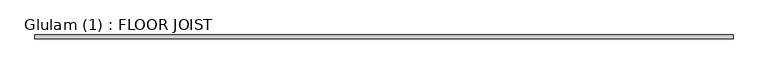
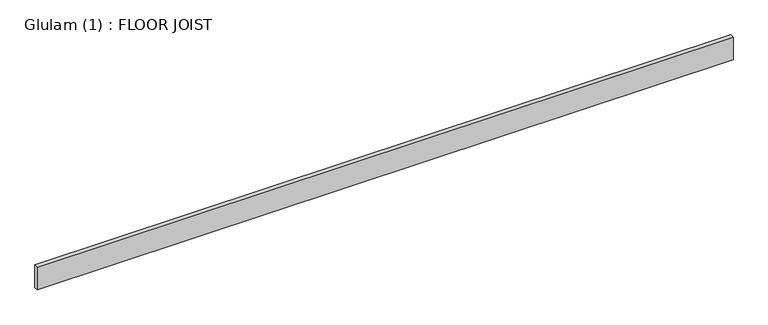
"""IFC4 building model written with IfcOpenShell, lengths in millimetres: beam geometry, Glulam (1) : FLOOR JOIST."""

import ifcopenshell
import ifcopenshell.guid

model = None  # the IFC model being written
_history = None  # IfcOwnerHistory: only IFC2X3 demands one
_inside = {}  # id of a spatial element -> (the spatial element, [elements in it])
_under = {}  # id of a project, library or spatial element -> (it, [spatial elements below it])
_declared = {}  # id of a project -> (the project, [libraries it declares])
_typed = {}  # id of a type object -> (the type object, [elements of that type])
_made_of = {}  # id of a material, layer set ... -> (it, [elements and type objects made of it])


def new_model(schema):
    """Start an empty IFC model of exactly this schema.

    Asked for "IFC4X3", IfcOpenShell would pick the latest addendum, in which some entities
    have other attributes; the version numbers below select the first issue.
    IFC2X3 requires an IfcOwnerHistory on every rooted entity: one is made here for all.
    """
    global model, _history
    if schema == "IFC4X3":
        model = ifcopenshell.file(schema_version=(4, 3, 0, 0))
    else:
        model = ifcopenshell.file(schema=schema)
    _inside.clear()
    _under.clear()
    _declared.clear()
    _typed.clear()
    _made_of.clear()
    _history = None
    if model.schema == "IFC2X3":
        org = make("IfcOrganization", Name="unknown")
        user = make(
            "IfcPersonAndOrganization",
            ThePerson=make("IfcPerson", FamilyName="unknown"),
            TheOrganization=org,
        )
        app = make(
            "IfcApplication",
            ApplicationDeveloper=org,
            Version="unknown",
            ApplicationFullName="unknown",
            ApplicationIdentifier="unknown",
        )
        _history = make(
            "IfcOwnerHistory",
            OwningUser=user,
            OwningApplication=app,
            ChangeAction="ADDED",
            CreationDate=0,
        )
    return model


def make(cls, **values):
    """One entity of the class cls with the attributes given. An attribute that is None is left unset."""
    return model.create_entity(
        cls, **{name: value for name, value in values.items() if value is not None}
    )


def rooted(cls, **values):
    """An entity with a GlobalId (a new one), such as an element, a storey or a relation."""
    return make(cls, GlobalId=ifcopenshell.guid.new(), OwnerHistory=_history, **values)


def si_unit(unit_type, name, prefix=None):
    """IfcSIUnit, for example si_unit("LENGTHUNIT", "METRE", prefix="MILLI")."""
    return make("IfcSIUnit", UnitType=unit_type, Prefix=prefix, Name=name)


def assignment(units):
    """IfcUnitAssignment: the units of a project."""
    return None if units is None else make("IfcUnitAssignment", Units=units)


def point(xyz):
    """IfcCartesianPoint."""
    return None if xyz is None else make("IfcCartesianPoint", Coordinates=xyz)


def direction(xyz):
    """IfcDirection."""
    return None if xyz is None else make("IfcDirection", DirectionRatios=xyz)


def frame(location, z_axis=None, x_axis=None):
    """IfcAxis2Placement3D, a coordinate frame: its origin and axes. An axis left out is left unset."""
    return make(
        "IfcAxis2Placement3D",
        Location=point(location),
        Axis=direction(z_axis),
        RefDirection=direction(x_axis),
    )


def origin():
    """The frame at (0, 0, 0) with its axes left unset."""
    return frame((0.0, 0.0, 0.0))


def place(relative_to, where):
    """IfcLocalPlacement: puts the frame where relative to a parent placement (None: the world)."""
    return make(
        "IfcLocalPlacement", PlacementRelTo=relative_to, RelativePlacement=where
    )


def context(
    kind, dimensions, precision=None, world=None, true_north=None, identifier=None
):
    """IfcGeometricRepresentationContext, for example the 3D "Model" context."""
    return make(
        "IfcGeometricRepresentationContext",
        ContextIdentifier=identifier,
        ContextType=kind,
        CoordinateSpaceDimension=dimensions,
        Precision=precision,
        WorldCoordinateSystem=world,
        TrueNorth=true_north,
    )


def project(units=None, contexts=None):
    """IfcProject with its units and contexts."""
    return rooted(
        "IfcProject",
        Name="project",
        RepresentationContexts=contexts,
        UnitsInContext=assignment(units),
    )


def spatial(cls, under=None, at=None, **own):
    """A site, building, storey or space (cls), placed at a placement, below another one or the project."""
    s = rooted(cls, ObjectPlacement=at, **own)
    if under is not None:
        _under.setdefault(under.id(), (under, []))[1].append(s)
    return s


def polyline(points):
    """IfcPolyline through the points."""
    return make("IfcPolyline", Points=[point(p) for p in points])


def outline(outer, holes=None, kind="AREA"):
    """IfcArbitraryClosedProfileDef: a profile drawn as a closed curve; with holes, ...WithVoids."""
    if holes is None:
        return make("IfcArbitraryClosedProfileDef", ProfileType=kind, OuterCurve=outer)
    return make(
        "IfcArbitraryProfileDefWithVoids",
        ProfileType=kind,
        OuterCurve=outer,
        InnerCurves=holes,
    )


def extrude(swept, where, along, depth):
    """IfcExtrudedAreaSolid: the profile swept, set in the frame where, extruded along a direction by depth."""
    return make(
        "IfcExtrudedAreaSolid",
        SweptArea=swept,
        Position=where,
        ExtrudedDirection=direction(along),
        Depth=depth,
    )


def shape(context_of_items, identifier, shape_type, items):
    """IfcShapeRepresentation: the items that make up one representation, for example the "Body"."""
    return make(
        "IfcShapeRepresentation",
        ContextOfItems=context_of_items,
        RepresentationIdentifier=identifier,
        RepresentationType=shape_type,
        Items=items,
    )


def source(mapping_origin, context_of_items, identifier, shape_type, items):
    """IfcRepresentationMap: a shape defined once, which mapped items show again and again."""
    return make(
        "IfcRepresentationMap",
        MappingOrigin=mapping_origin,
        MappedRepresentation=shape(context_of_items, identifier, shape_type, items),
    )


def transform(
    local_origin,
    x_axis=None,
    y_axis=None,
    z_axis=None,
    scale=None,
    scale2=None,
    scale3=None,
    uniform=True,
):
    """IfcCartesianTransformationOperator3D, or its non-uniform kind. x_axis, y_axis, z_axis: its Axis1, 2, 3."""
    if uniform:
        return make(
            "IfcCartesianTransformationOperator3D",
            Axis1=direction(x_axis),
            Axis2=direction(y_axis),
            LocalOrigin=point(local_origin),
            Scale=scale,
            Axis3=direction(z_axis),
        )
    return make(
        "IfcCartesianTransformationOperator3DnonUniform",
        Axis1=direction(x_axis),
        Axis2=direction(y_axis),
        LocalOrigin=point(local_origin),
        Scale=scale,
        Axis3=direction(z_axis),
        Scale2=scale2,
        Scale3=scale3,
    )


def mapped(mapping_source, mapping_target):
    """IfcMappedItem: shows the shape of a source again, moved by a transform."""
    return make(
        "IfcMappedItem", MappingSource=mapping_source, MappingTarget=mapping_target
    )


def made_of(thing, what):
    """Note that an element or type object is made of a material, layer set ...; save() writes the relation."""
    if what is not None:
        _made_of.setdefault(what.id(), (what, []))[1].append(thing)
    return thing


def element(
    cls,
    number,
    at=None,
    inside=None,
    cuts=None,
    type_object=None,
    material=None,
    context=None,
    identifier="Body",
    shape_type=None,
    held_by="IfcProductDefinitionShape",
    body=None,
    shapes=None,
    **own,
):
    """One element of the class cls, such as IfcWall. Its Tag is "e" and its number.

    at: its placement. inside: the storey or other place that contains it. cuts: it is an
    opening in that element (IfcRelVoidsElement). A single representation is given by context,
    identifier, shape_type and body (its items); several are given by shapes. held_by: the class
    of the entity that holds the representations. save() writes the other relations.
    """
    e = rooted(cls, Tag="e%d" % number, ObjectPlacement=at, **own)
    if body is not None:
        shapes = [shape(context, identifier, shape_type, body)]
    if shapes is not None:
        e.Representation = make(held_by, Representations=shapes)
    if inside is not None:
        _inside.setdefault(inside.id(), (inside, []))[1].append(e)
    if cuts is not None:
        rooted(
            "IfcRelVoidsElement", RelatingBuildingElement=cuts, RelatedOpeningElement=e
        )
    if type_object is not None:
        _typed.setdefault(type_object.id(), (type_object, []))[1].append(e)
    return made_of(e, material)


def aggregate(whole, parts):
    """IfcRelAggregates: a whole, such as a stair, and the parts it consists of."""
    return rooted("IfcRelAggregates", RelatingObject=whole, RelatedObjects=parts)


def save(model, path):
    """Write the relations noted so far, then the file.

    IfcRelAggregates (storeys below a building ...), IfcRelContainedInSpatialStructure (elements
    in a storey), IfcRelDefinesByType, IfcRelAssociatesMaterial and IfcRelDeclares: one each for
    every whole, place, type object, material and project.
    """
    for whole, parts in _under.values():
        aggregate(whole, parts)
    for where, things in _inside.values():
        rooted(
            "IfcRelContainedInSpatialStructure",
            RelatedElements=things,
            RelatingStructure=where,
        )
    for kind, things in _typed.values():
        rooted("IfcRelDefinesByType", RelatedObjects=things, RelatingType=kind)
    for what, things in _made_of.values():
        rooted("IfcRelAssociatesMaterial", RelatedObjects=things, RelatingMaterial=what)
    for by, libraries in _declared.values():
        rooted("IfcRelDeclares", RelatingContext=by, RelatedDefinitions=libraries)
    model.write(path)


def glulam_1_floor_joist_10a8f20a(model_context):
    return source(origin(), model_context, "Body", "SweptSolid", [
        extrude(outline(polyline([(4170.5, 22.5), (4170.5, -22.5), (-4211.5, -22.5), (-4211.5, 22.5), (4170.5, 22.5)])), frame((0.0, 0.0, -145.0), z_axis=(0.0, 0.0, 1.0), x_axis=(1.0, 0.0, 0.0)), (0.0, 0.0, 1.0), 290.0),
    ])


if __name__ == "__main__":
    model = new_model("IFC4")
    model_context = context("Model", 3, world=origin())
    ifc_project = project(units=[si_unit("LENGTHUNIT", "METRE", prefix="MILLI")], contexts=[model_context])
    site = spatial("IfcSite", under=ifc_project)
    building = spatial("IfcBuilding", under=site)
    placement = place(None, origin())
    glulam_1_floor_joist_shape = glulam_1_floor_joist_10a8f20a(model_context)
    element("IfcBeam", 1, ObjectType="Glulam (1) : FLOOR JOIST", at=placement, inside=building, context=model_context, shape_type="MappedRepresentation", body=[
        mapped(glulam_1_floor_joist_shape, transform((0.0, 0.0, 0.0), x_axis=(1.0, 0.0, 0.0), y_axis=(0.0, 1.0, 0.0), z_axis=(0.0, 0.0, 1.0))),
    ])
    save(model, "model.ifc")
